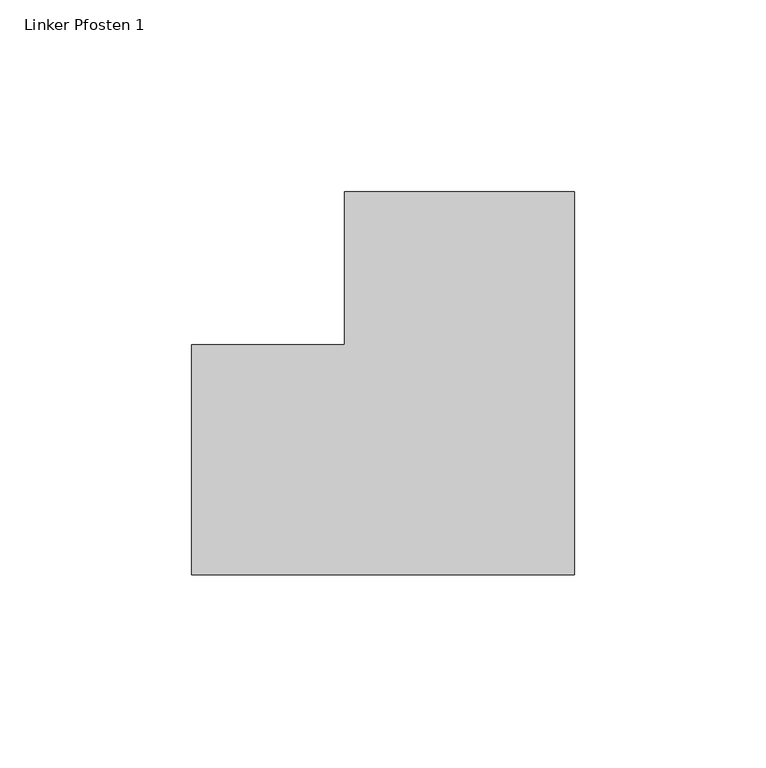
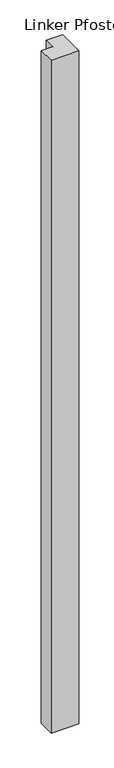
"""IFC4 building model written with IfcOpenShell, lengths in millimetres: member geometry, Linker Pfosten 1."""

import ifcopenshell
import ifcopenshell.guid

model = None  # the IFC model being written
_history = None  # IfcOwnerHistory: only IFC2X3 demands one
_inside = {}  # id of a spatial element -> (the spatial element, [elements in it])
_under = {}  # id of a project, library or spatial element -> (it, [spatial elements below it])
_declared = {}  # id of a project -> (the project, [libraries it declares])
_typed = {}  # id of a type object -> (the type object, [elements of that type])
_made_of = {}  # id of a material, layer set ... -> (it, [elements and type objects made of it])


def new_model(schema):
    """Start an empty IFC model of exactly this schema.

    Asked for "IFC4X3", IfcOpenShell would pick the latest addendum, in which some entities
    have other attributes; the version numbers below select the first issue.
    IFC2X3 requires an IfcOwnerHistory on every rooted entity: one is made here for all.
    """
    global model, _history
    if schema == "IFC4X3":
        model = ifcopenshell.file(schema_version=(4, 3, 0, 0))
    else:
        model = ifcopenshell.file(schema=schema)
    _inside.clear()
    _under.clear()
    _declared.clear()
    _typed.clear()
    _made_of.clear()
    _history = None
    if model.schema == "IFC2X3":
        org = make("IfcOrganization", Name="unknown")
        user = make(
            "IfcPersonAndOrganization",
            ThePerson=make("IfcPerson", FamilyName="unknown"),
            TheOrganization=org,
        )
        app = make(
            "IfcApplication",
            ApplicationDeveloper=org,
            Version="unknown",
            ApplicationFullName="unknown",
            ApplicationIdentifier="unknown",
        )
        _history = make(
            "IfcOwnerHistory",
            OwningUser=user,
            OwningApplication=app,
            ChangeAction="ADDED",
            CreationDate=0,
        )
    return model


def make(cls, **values):
    """One entity of the class cls with the attributes given. An attribute that is None is left unset."""
    return model.create_entity(
        cls, **{name: value for name, value in values.items() if value is not None}
    )


def rooted(cls, **values):
    """An entity with a GlobalId (a new one), such as an element, a storey or a relation."""
    return make(cls, GlobalId=ifcopenshell.guid.new(), OwnerHistory=_history, **values)


def si_unit(unit_type, name, prefix=None):
    """IfcSIUnit, for example si_unit("LENGTHUNIT", "METRE", prefix="MILLI")."""
    return make("IfcSIUnit", UnitType=unit_type, Prefix=prefix, Name=name)


def assignment(units):
    """IfcUnitAssignment: the units of a project."""
    return None if units is None else make("IfcUnitAssignment", Units=units)


def point(xyz):
    """IfcCartesianPoint."""
    return None if xyz is None else make("IfcCartesianPoint", Coordinates=xyz)


def direction(xyz):
    """IfcDirection."""
    return None if xyz is None else make("IfcDirection", DirectionRatios=xyz)


def frame(location, z_axis=None, x_axis=None):
    """IfcAxis2Placement3D, a coordinate frame: its origin and axes. An axis left out is left unset."""
    return make(
        "IfcAxis2Placement3D",
        Location=point(location),
        Axis=direction(z_axis),
        RefDirection=direction(x_axis),
    )


def origin():
    """The frame at (0, 0, 0) with its axes left unset."""
    return frame((0.0, 0.0, 0.0))


def place(relative_to, where):
    """IfcLocalPlacement: puts the frame where relative to a parent placement (None: the world)."""
    return make(
        "IfcLocalPlacement", PlacementRelTo=relative_to, RelativePlacement=where
    )


def context(
    kind, dimensions, precision=None, world=None, true_north=None, identifier=None
):
    """IfcGeometricRepresentationContext, for example the 3D "Model" context."""
    return make(
        "IfcGeometricRepresentationContext",
        ContextIdentifier=identifier,
        ContextType=kind,
        CoordinateSpaceDimension=dimensions,
        Precision=precision,
        WorldCoordinateSystem=world,
        TrueNorth=true_north,
    )


def project(units=None, contexts=None):
    """IfcProject with its units and contexts."""
    return rooted(
        "IfcProject",
        Name="project",
        RepresentationContexts=contexts,
        UnitsInContext=assignment(units),
    )


def spatial(cls, under=None, at=None, **own):
    """A site, building, storey or space (cls), placed at a placement, below another one or the project."""
    s = rooted(cls, ObjectPlacement=at, **own)
    if under is not None:
        _under.setdefault(under.id(), (under, []))[1].append(s)
    return s


def polyline(points):
    """IfcPolyline through the points."""
    return make("IfcPolyline", Points=[point(p) for p in points])


def outline(outer, holes=None, kind="AREA"):
    """IfcArbitraryClosedProfileDef: a profile drawn as a closed curve; with holes, ...WithVoids."""
    if holes is None:
        return make("IfcArbitraryClosedProfileDef", ProfileType=kind, OuterCurve=outer)
    return make(
        "IfcArbitraryProfileDefWithVoids",
        ProfileType=kind,
        OuterCurve=outer,
        InnerCurves=holes,
    )


def extrude(swept, where, along, depth):
    """IfcExtrudedAreaSolid: the profile swept, set in the frame where, extruded along a direction by depth."""
    return make(
        "IfcExtrudedAreaSolid",
        SweptArea=swept,
        Position=where,
        ExtrudedDirection=direction(along),
        Depth=depth,
    )


def shape(context_of_items, identifier, shape_type, items):
    """IfcShapeRepresentation: the items that make up one representation, for example the "Body"."""
    return make(
        "IfcShapeRepresentation",
        ContextOfItems=context_of_items,
        RepresentationIdentifier=identifier,
        RepresentationType=shape_type,
        Items=items,
    )


def source(mapping_origin, context_of_items, identifier, shape_type, items):
    """IfcRepresentationMap: a shape defined once, which mapped items show again and again."""
    return make(
        "IfcRepresentationMap",
        MappingOrigin=mapping_origin,
        MappedRepresentation=shape(context_of_items, identifier, shape_type, items),
    )


def transform(
    local_origin,
    x_axis=None,
    y_axis=None,
    z_axis=None,
    scale=None,
    scale2=None,
    scale3=None,
    uniform=True,
):
    """IfcCartesianTransformationOperator3D, or its non-uniform kind. x_axis, y_axis, z_axis: its Axis1, 2, 3."""
    if uniform:
        return make(
            "IfcCartesianTransformationOperator3D",
            Axis1=direction(x_axis),
            Axis2=direction(y_axis),
            LocalOrigin=point(local_origin),
            Scale=scale,
            Axis3=direction(z_axis),
        )
    return make(
        "IfcCartesianTransformationOperator3DnonUniform",
        Axis1=direction(x_axis),
        Axis2=direction(y_axis),
        LocalOrigin=point(local_origin),
        Scale=scale,
        Axis3=direction(z_axis),
        Scale2=scale2,
        Scale3=scale3,
    )


def mapped(mapping_source, mapping_target):
    """IfcMappedItem: shows the shape of a source again, moved by a transform."""
    return make(
        "IfcMappedItem", MappingSource=mapping_source, MappingTarget=mapping_target
    )


def made_of(thing, what):
    """Note that an element or type object is made of a material, layer set ...; save() writes the relation."""
    if what is not None:
        _made_of.setdefault(what.id(), (what, []))[1].append(thing)
    return thing


def element(
    cls,
    number,
    at=None,
    inside=None,
    cuts=None,
    type_object=None,
    material=None,
    context=None,
    identifier="Body",
    shape_type=None,
    held_by="IfcProductDefinitionShape",
    body=None,
    shapes=None,
    **own,
):
    """One element of the class cls, such as IfcWall. Its Tag is "e" and its number.

    at: its placement. inside: the storey or other place that contains it. cuts: it is an
    opening in that element (IfcRelVoidsElement). A single representation is given by context,
    identifier, shape_type and body (its items); several are given by shapes. held_by: the class
    of the entity that holds the representations. save() writes the other relations.
    """
    e = rooted(cls, Tag="e%d" % number, ObjectPlacement=at, **own)
    if body is not None:
        shapes = [shape(context, identifier, shape_type, body)]
    if shapes is not None:
        e.Representation = make(held_by, Representations=shapes)
    if inside is not None:
        _inside.setdefault(inside.id(), (inside, []))[1].append(e)
    if cuts is not None:
        rooted(
            "IfcRelVoidsElement", RelatingBuildingElement=cuts, RelatedOpeningElement=e
        )
    if type_object is not None:
        _typed.setdefault(type_object.id(), (type_object, []))[1].append(e)
    return made_of(e, material)


def aggregate(whole, parts):
    """IfcRelAggregates: a whole, such as a stair, and the parts it consists of."""
    return rooted("IfcRelAggregates", RelatingObject=whole, RelatedObjects=parts)


def save(model, path):
    """Write the relations noted so far, then the file.

    IfcRelAggregates (storeys below a building ...), IfcRelContainedInSpatialStructure (elements
    in a storey), IfcRelDefinesByType, IfcRelAssociatesMaterial and IfcRelDeclares: one each for
    every whole, place, type object, material and project.
    """
    for whole, parts in _under.values():
        aggregate(whole, parts)
    for where, things in _inside.values():
        rooted(
            "IfcRelContainedInSpatialStructure",
            RelatedElements=things,
            RelatingStructure=where,
        )
    for kind, things in _typed.values():
        rooted("IfcRelDefinesByType", RelatedObjects=things, RelatingType=kind)
    for what, things in _made_of.values():
        rooted("IfcRelAssociatesMaterial", RelatedObjects=things, RelatingMaterial=what)
    for by, libraries in _declared.values():
        rooted("IfcRelDeclares", RelatingContext=by, RelatedDefinitions=libraries)
    model.write(path)


def linker_pfosten_1_ccf768e2(model_context):
    return source(origin(), model_context, "Body", "SweptSolid", [
        extrude(outline(polyline([(30.0, 70.0), (30.0, -30.0), (-70.0, -30.0), (-70.0, 30.0), (-30.0, 30.0), (-30.0, 70.0), (30.0, 70.0)])), frame((0.0, 0.0, -2550.0), z_axis=(0.0, 0.0, 1.0), x_axis=(1.0, 0.0, 0.0)), (0.0, 0.0, 1.0), 2550.0),
    ])


if __name__ == "__main__":
    model = new_model("IFC4")
    model_context = context("Model", 3, world=origin())
    ifc_project = project(units=[si_unit("LENGTHUNIT", "METRE", prefix="MILLI")], contexts=[model_context])
    site = spatial("IfcSite", under=ifc_project)
    building = spatial("IfcBuilding", under=site)
    placement = place(None, origin())
    linker_pfosten_1_shape = linker_pfosten_1_ccf768e2(model_context)
    element("IfcMember", 1, ObjectType="Linker Pfosten 1", at=placement, inside=building, context=model_context, shape_type="MappedRepresentation", body=[
        mapped(linker_pfosten_1_shape, transform((0.0, 0.0, 0.0), x_axis=(1.0, 0.0, 0.0), y_axis=(0.0, 1.0, 0.0), z_axis=(0.0, 0.0, 1.0))),
    ])
    save(model, "model.ifc")
